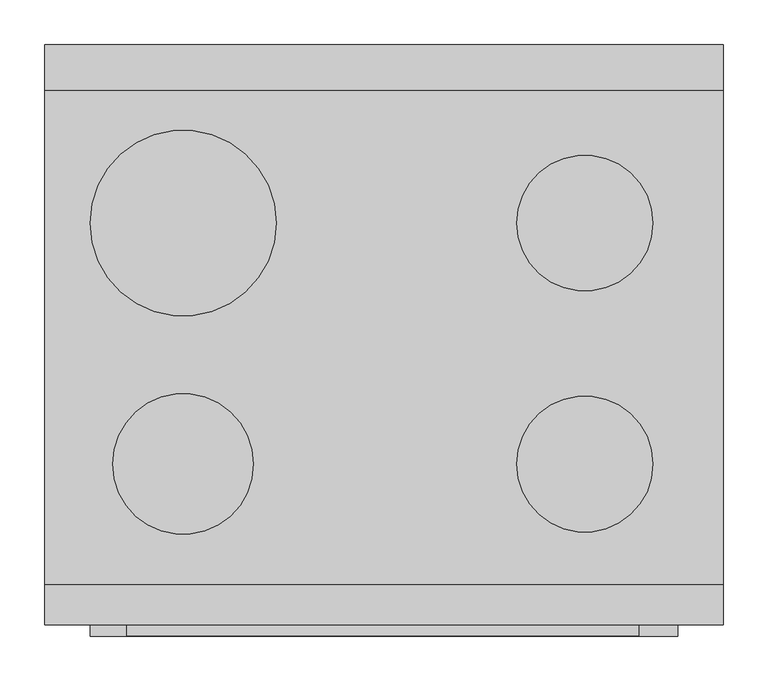
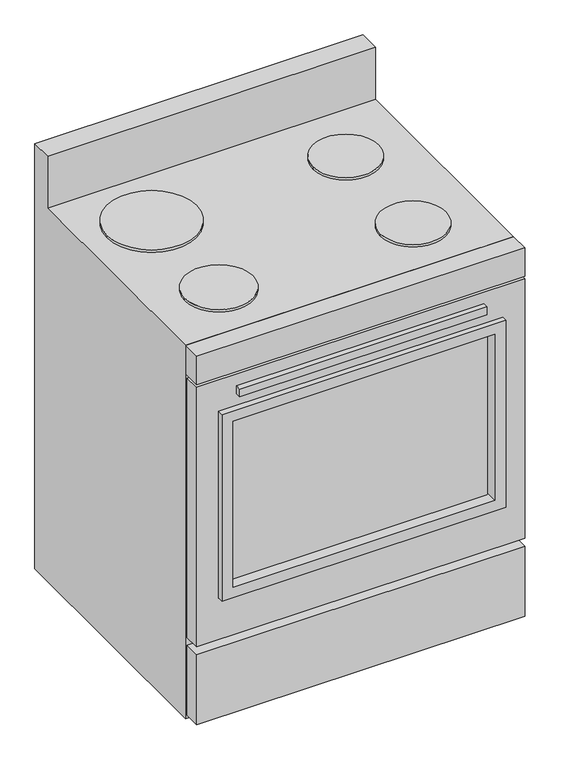
"""IFC4 building model written with IfcOpenShell, lengths in millimetres: proxy geometry."""

import ifcopenshell
import ifcopenshell.guid

model = None  # the IFC model being written
_history = None  # IfcOwnerHistory: only IFC2X3 demands one
_inside = {}  # id of a spatial element -> (the spatial element, [elements in it])
_under = {}  # id of a project, library or spatial element -> (it, [spatial elements below it])
_declared = {}  # id of a project -> (the project, [libraries it declares])
_typed = {}  # id of a type object -> (the type object, [elements of that type])
_made_of = {}  # id of a material, layer set ... -> (it, [elements and type objects made of it])


def new_model(schema):
    """Start an empty IFC model of exactly this schema.

    Asked for "IFC4X3", IfcOpenShell would pick the latest addendum, in which some entities
    have other attributes; the version numbers below select the first issue.
    IFC2X3 requires an IfcOwnerHistory on every rooted entity: one is made here for all.
    """
    global model, _history
    if schema == "IFC4X3":
        model = ifcopenshell.file(schema_version=(4, 3, 0, 0))
    else:
        model = ifcopenshell.file(schema=schema)
    _inside.clear()
    _under.clear()
    _declared.clear()
    _typed.clear()
    _made_of.clear()
    _history = None
    if model.schema == "IFC2X3":
        org = make("IfcOrganization", Name="unknown")
        user = make(
            "IfcPersonAndOrganization",
            ThePerson=make("IfcPerson", FamilyName="unknown"),
            TheOrganization=org,
        )
        app = make(
            "IfcApplication",
            ApplicationDeveloper=org,
            Version="unknown",
            ApplicationFullName="unknown",
            ApplicationIdentifier="unknown",
        )
        _history = make(
            "IfcOwnerHistory",
            OwningUser=user,
            OwningApplication=app,
            ChangeAction="ADDED",
            CreationDate=0,
        )
    return model


def make(cls, **values):
    """One entity of the class cls with the attributes given. An attribute that is None is left unset."""
    return model.create_entity(
        cls, **{name: value for name, value in values.items() if value is not None}
    )


def rooted(cls, **values):
    """An entity with a GlobalId (a new one), such as an element, a storey or a relation."""
    return make(cls, GlobalId=ifcopenshell.guid.new(), OwnerHistory=_history, **values)


def si_unit(unit_type, name, prefix=None):
    """IfcSIUnit, for example si_unit("LENGTHUNIT", "METRE", prefix="MILLI")."""
    return make("IfcSIUnit", UnitType=unit_type, Prefix=prefix, Name=name)


def assignment(units):
    """IfcUnitAssignment: the units of a project."""
    return None if units is None else make("IfcUnitAssignment", Units=units)


def point(xyz):
    """IfcCartesianPoint."""
    return None if xyz is None else make("IfcCartesianPoint", Coordinates=xyz)


def direction(xyz):
    """IfcDirection."""
    return None if xyz is None else make("IfcDirection", DirectionRatios=xyz)


def frame(location, z_axis=None, x_axis=None):
    """IfcAxis2Placement3D, a coordinate frame: its origin and axes. An axis left out is left unset."""
    return make(
        "IfcAxis2Placement3D",
        Location=point(location),
        Axis=direction(z_axis),
        RefDirection=direction(x_axis),
    )


def frame_2d(location, x_axis=None):
    """IfcAxis2Placement2D, a coordinate frame in the plane: its origin and x axis."""
    return make(
        "IfcAxis2Placement2D", Location=point(location), RefDirection=direction(x_axis)
    )


def origin():
    """The frame at (0, 0, 0) with its axes left unset."""
    return frame((0.0, 0.0, 0.0))


def place(relative_to, where):
    """IfcLocalPlacement: puts the frame where relative to a parent placement (None: the world)."""
    return make(
        "IfcLocalPlacement", PlacementRelTo=relative_to, RelativePlacement=where
    )


def context(
    kind, dimensions, precision=None, world=None, true_north=None, identifier=None
):
    """IfcGeometricRepresentationContext, for example the 3D "Model" context."""
    return make(
        "IfcGeometricRepresentationContext",
        ContextIdentifier=identifier,
        ContextType=kind,
        CoordinateSpaceDimension=dimensions,
        Precision=precision,
        WorldCoordinateSystem=world,
        TrueNorth=true_north,
    )


def project(units=None, contexts=None):
    """IfcProject with its units and contexts."""
    return rooted(
        "IfcProject",
        Name="project",
        RepresentationContexts=contexts,
        UnitsInContext=assignment(units),
    )


def spatial(cls, under=None, at=None, **own):
    """A site, building, storey or space (cls), placed at a placement, below another one or the project."""
    s = rooted(cls, ObjectPlacement=at, **own)
    if under is not None:
        _under.setdefault(under.id(), (under, []))[1].append(s)
    return s


def polyline(points):
    """IfcPolyline through the points."""
    return make("IfcPolyline", Points=[point(p) for p in points])


def circle_curve(where, radius):
    """IfcCircle in the frame where."""
    return make("IfcCircle", Position=where, Radius=radius)


def trimmed(basis, trim1, trim2, sense, master):
    """IfcTrimmedCurve: the piece of a basis curve between two trims."""
    return make(
        "IfcTrimmedCurve",
        BasisCurve=basis,
        Trim1=trim1,
        Trim2=trim2,
        SenseAgreement=sense,
        MasterRepresentation=master,
    )


def segment(curve, same_sense, transition):
    """IfcCompositeCurveSegment."""
    return make(
        "IfcCompositeCurveSegment",
        Transition=transition,
        SameSense=same_sense,
        ParentCurve=curve,
    )


def composite_curve(segments, self_intersect=None):
    """IfcCompositeCurve: segments joined end to end."""
    return make("IfcCompositeCurve", Segments=segments, SelfIntersect=self_intersect)


def outline(outer, holes=None, kind="AREA"):
    """IfcArbitraryClosedProfileDef: a profile drawn as a closed curve; with holes, ...WithVoids."""
    if holes is None:
        return make("IfcArbitraryClosedProfileDef", ProfileType=kind, OuterCurve=outer)
    return make(
        "IfcArbitraryProfileDefWithVoids",
        ProfileType=kind,
        OuterCurve=outer,
        InnerCurves=holes,
    )


def extrude(swept, where, along, depth):
    """IfcExtrudedAreaSolid: the profile swept, set in the frame where, extruded along a direction by depth."""
    return make(
        "IfcExtrudedAreaSolid",
        SweptArea=swept,
        Position=where,
        ExtrudedDirection=direction(along),
        Depth=depth,
    )


def faces_of(points, faces, orient=None, outer=None):
    """IfcFace entities. A face is a list of loops; a loop is a list of indices into points, from 0.

    orient and outer hold one flag for each loop. By default every Orientation is true, the
    first loop of a face is its IfcFaceOuterBound and the others are IfcFaceBound.
    """
    made = []
    for i, loops in enumerate(faces):
        bounds = []
        for j, loop in enumerate(loops):
            is_outer = j == 0 if outer is None else outer[i][j]
            bounds.append(
                make(
                    "IfcFaceOuterBound" if is_outer else "IfcFaceBound",
                    Bound=make("IfcPolyLoop", Polygon=[points[k] for k in loop]),
                    Orientation=True if orient is None else orient[i][j],
                )
            )
        made.append(make("IfcFace", Bounds=bounds))
    return made


def faceted_brep(points, faces, orient=None, outer=None, voids=None):
    """IfcFacetedBrep: a solid bounded by flat faces; with voids (closed shells), ...WithVoids."""
    shared = [point(p) for p in points]
    hull = make("IfcClosedShell", CfsFaces=faces_of(shared, faces, orient, outer))
    if voids is None:
        return make("IfcFacetedBrep", Outer=hull)
    return make(
        "IfcFacetedBrepWithVoids",
        Outer=hull,
        Voids=[
            make(cls, CfsFaces=faces_of(shared, fs, o, b)) for cls, fs, o, b in voids
        ],
    )


def shape(context_of_items, identifier, shape_type, items):
    """IfcShapeRepresentation: the items that make up one representation, for example the "Body"."""
    return make(
        "IfcShapeRepresentation",
        ContextOfItems=context_of_items,
        RepresentationIdentifier=identifier,
        RepresentationType=shape_type,
        Items=items,
    )


def source(mapping_origin, context_of_items, identifier, shape_type, items):
    """IfcRepresentationMap: a shape defined once, which mapped items show again and again."""
    return make(
        "IfcRepresentationMap",
        MappingOrigin=mapping_origin,
        MappedRepresentation=shape(context_of_items, identifier, shape_type, items),
    )


def transform(
    local_origin,
    x_axis=None,
    y_axis=None,
    z_axis=None,
    scale=None,
    scale2=None,
    scale3=None,
    uniform=True,
):
    """IfcCartesianTransformationOperator3D, or its non-uniform kind. x_axis, y_axis, z_axis: its Axis1, 2, 3."""
    if uniform:
        return make(
            "IfcCartesianTransformationOperator3D",
            Axis1=direction(x_axis),
            Axis2=direction(y_axis),
            LocalOrigin=point(local_origin),
            Scale=scale,
            Axis3=direction(z_axis),
        )
    return make(
        "IfcCartesianTransformationOperator3DnonUniform",
        Axis1=direction(x_axis),
        Axis2=direction(y_axis),
        LocalOrigin=point(local_origin),
        Scale=scale,
        Axis3=direction(z_axis),
        Scale2=scale2,
        Scale3=scale3,
    )


def mapped(mapping_source, mapping_target):
    """IfcMappedItem: shows the shape of a source again, moved by a transform."""
    return make(
        "IfcMappedItem", MappingSource=mapping_source, MappingTarget=mapping_target
    )


def made_of(thing, what):
    """Note that an element or type object is made of a material, layer set ...; save() writes the relation."""
    if what is not None:
        _made_of.setdefault(what.id(), (what, []))[1].append(thing)
    return thing


def element(
    cls,
    number,
    at=None,
    inside=None,
    cuts=None,
    type_object=None,
    material=None,
    context=None,
    identifier="Body",
    shape_type=None,
    held_by="IfcProductDefinitionShape",
    body=None,
    shapes=None,
    **own,
):
    """One element of the class cls, such as IfcWall. Its Tag is "e" and its number.

    at: its placement. inside: the storey or other place that contains it. cuts: it is an
    opening in that element (IfcRelVoidsElement). A single representation is given by context,
    identifier, shape_type and body (its items); several are given by shapes. held_by: the class
    of the entity that holds the representations. save() writes the other relations.
    """
    e = rooted(cls, Tag="e%d" % number, ObjectPlacement=at, **own)
    if body is not None:
        shapes = [shape(context, identifier, shape_type, body)]
    if shapes is not None:
        e.Representation = make(held_by, Representations=shapes)
    if inside is not None:
        _inside.setdefault(inside.id(), (inside, []))[1].append(e)
    if cuts is not None:
        rooted(
            "IfcRelVoidsElement", RelatingBuildingElement=cuts, RelatedOpeningElement=e
        )
    if type_object is not None:
        _typed.setdefault(type_object.id(), (type_object, []))[1].append(e)
    return made_of(e, material)


def aggregate(whole, parts):
    """IfcRelAggregates: a whole, such as a stair, and the parts it consists of."""
    return rooted("IfcRelAggregates", RelatingObject=whole, RelatedObjects=parts)


def save(model, path):
    """Write the relations noted so far, then the file.

    IfcRelAggregates (storeys below a building ...), IfcRelContainedInSpatialStructure (elements
    in a storey), IfcRelDefinesByType, IfcRelAssociatesMaterial and IfcRelDeclares: one each for
    every whole, place, type object, material and project.
    """
    for whole, parts in _under.values():
        aggregate(whole, parts)
    for where, things in _inside.values():
        rooted(
            "IfcRelContainedInSpatialStructure",
            RelatedElements=things,
            RelatingStructure=where,
        )
    for kind, things in _typed.values():
        rooted("IfcRelDefinesByType", RelatedObjects=things, RelatingType=kind)
    for what, things in _made_of.values():
        rooted("IfcRelAssociatesMaterial", RelatedObjects=things, RelatingMaterial=what)
    for by, libraries in _declared.values():
        rooted("IfcRelDeclares", RelatingContext=by, RelatedDefinitions=libraries)
    model.write(path)


def specialty_equipment_27bf323b(model_context):
    return source(origin(), model_context, "Body", "SolidModel", [
        faceted_brep([(760.0, 650.0, 1041.4), (760.0, 599.2, 1041.4), (760.0, 599.2, 914.4), (760.0, 45.0, 914.4), (760.0, 45.0, 0.0), (760.0, 650.0, 0.0), (0.0, 599.2, 914.4), (0.0, 599.2, 1041.4), (0.0, 650.0, 1041.4), (0.0, 650.0, 0.0), (0.0, 45.0, 0.0), (0.0, 45.0, 914.4), (734.6, 45.0, 889.2220355), (734.6, 45.0, 254.0), (25.4, 45.0, 254.0), (25.4, 45.0, 889.2220355), (25.4, 624.6, 889.2220355), (734.6, 624.6, 889.2220355), (25.4, 624.6, 254.0), (734.6, 624.6, 254.0)], [[[0, 1, 2, 3, 4, 5]], [[6, 7, 8, 9, 10, 11]], [[8, 0, 5, 9]], [[1, 0, 8, 7]], [[2, 1, 7, 6]], [[3, 11, 10, 4], [12, 13, 14, 15]], [[9, 5, 4, 10]], [[11, 3, 2, 6]], [[12, 15, 16, 17]], [[15, 14, 18, 16]], [[14, 13, 19, 18]], [[13, 12, 17, 19]], [[17, 16, 18, 19]]]),
        extrude(outline(polyline([(665.325, -12.7), (91.687309, -12.7), (91.687309, 0.0), (665.325, 0.0), (665.325, -12.7)])), frame((0.0, 0.0, 791.2768639), z_axis=(0.0, 0.0, 1.0), x_axis=(1.0, 0.0, 0.0)), (0.0, 0.0, 1.0), 19.05),
        extrude(outline(polyline([(681.2, 12.7), (76.2, 12.7), (76.2, 19.05), (681.2, 19.05), (681.2, 12.7)])), frame((0.0, 0.0, 330.2), z_axis=(0.0, 0.0, 1.0), x_axis=(1.0, 0.0, 0.0)), (0.0, 0.0, 1.0), 406.4),
        extrude(outline(polyline([(760.0, 0.0), (0.0, 0.0), (0.0, 45.0), (760.0, 45.0), (760.0, 0.0)])), frame((0.0, 0.0, 844.7720355), z_axis=(0.0, 0.0, 1.0), x_axis=(1.0, 0.0, 0.0)), (0.0, 0.0, 1.0), 69.6279645),
        extrude(outline(polyline([(762.0, 709.2), (762.0, 50.8), (304.8, 50.8), (304.8, 709.2), (762.0, 709.2)]), holes=[polyline([(736.6, 683.8), (330.2, 683.8), (330.2, 76.2), (736.6, 76.2), (736.6, 683.8)])]), frame((0.0, -12.7, 0.0), z_axis=(0.0, 1.0, 0.0), x_axis=(0.0, 0.0, 1.0)), (0.0, 0.0, 1.0), 38.1),
        extrude(outline(composite_curve([segment(trimmed(circle_curve(frame_2d((155.0, 450.0)), 104.2), [point((50.8, 450.0))], [point((259.2, 450.0))], False, "CARTESIAN"), True, "CONTINUOUS"), segment(trimmed(circle_curve(frame_2d((155.0, 450.0)), 104.2), [point((259.2, 450.0))], [point((50.8, 450.0))], False, "CARTESIAN"), True, "CONTINUOUS")], self_intersect=False)), frame((0.0, 0.0, 914.4), z_axis=(0.0, 0.0, 1.0), x_axis=(1.0, 0.0, 0.0)), (0.0, 0.0, 1.0), 6.35),
        extrude(outline(composite_curve([segment(trimmed(circle_curve(frame_2d((605.0, 450.0)), 76.2), [point((528.8, 450.0))], [point((681.2, 450.0))], False, "CARTESIAN"), True, "CONTINUOUS"), segment(trimmed(circle_curve(frame_2d((605.0, 450.0)), 76.2), [point((681.2, 450.0))], [point((528.8, 450.0))], False, "CARTESIAN"), True, "CONTINUOUS")], self_intersect=False)), frame((0.0, 0.0, 914.4), z_axis=(0.0, 0.0, 1.0), x_axis=(1.0, 0.0, 0.0)), (0.0, 0.0, 1.0), 6.35),
        extrude(outline(composite_curve([segment(trimmed(circle_curve(frame_2d((605.0, 180.0)), 76.2), [point((528.8, 180.0))], [point((681.2, 180.0))], False, "CARTESIAN"), True, "CONTINUOUS"), segment(trimmed(circle_curve(frame_2d((605.0, 180.0)), 76.2), [point((681.2, 180.0))], [point((528.8, 180.0))], False, "CARTESIAN"), True, "CONTINUOUS")], self_intersect=False)), frame((0.0, 0.0, 914.4), z_axis=(0.0, 0.0, 1.0), x_axis=(1.0, 0.0, 0.0)), (0.0, 0.0, 1.0), 6.35),
        extrude(outline(composite_curve([segment(trimmed(circle_curve(frame_2d((155.0, 180.0)), 78.8), [point((76.2, 180.0))], [point((233.8, 180.0))], False, "CARTESIAN"), True, "CONTINUOUS"), segment(trimmed(circle_curve(frame_2d((155.0, 180.0)), 78.8), [point((233.8, 180.0))], [point((76.2, 180.0))], False, "CARTESIAN"), True, "CONTINUOUS")], self_intersect=False)), frame((0.0, 0.0, 914.4), z_axis=(0.0, 0.0, 1.0), x_axis=(1.0, 0.0, 0.0)), (0.0, 0.0, 1.0), 6.35),
        extrude(outline(polyline([(838.4220355, 760.0), (838.4220355, 0.0), (203.2, 0.0), (203.2, 760.0), (838.4220355, 760.0)]), holes=[polyline([(762.0, 709.2), (304.8, 709.2), (304.8, 50.8), (762.0, 50.8), (762.0, 709.2)])]), frame((0.0, 0.0, 0.0), z_axis=(0.0, 1.0, 0.0), x_axis=(0.0, 0.0, 1.0)), (0.0, 0.0, 1.0), 38.1),
        extrude(outline(polyline([(760.0, 0.0), (0.0, 0.0), (0.0, 38.1), (760.0, 38.1), (760.0, 0.0)])), frame((0.0, 0.0, 12.7), z_axis=(0.0, 0.0, 1.0), x_axis=(1.0, 0.0, 0.0)), (0.0, 0.0, 1.0), 171.45),
    ])


if __name__ == "__main__":
    model = new_model("IFC4")
    model_context = context("Model", 3, world=origin())
    ifc_project = project(units=[si_unit("LENGTHUNIT", "METRE", prefix="MILLI")], contexts=[model_context])
    site = spatial("IfcSite", under=ifc_project)
    building = spatial("IfcBuilding", under=site)
    placement = place(None, origin())
    specialty_equipment_shape = specialty_equipment_27bf323b(model_context)
    element("IfcBuildingElementProxy", 1, Name="Specialty Equipment", at=placement, inside=building, context=model_context, shape_type="MappedRepresentation", body=[
        mapped(specialty_equipment_shape, transform((0.0, 0.0, 0.0), x_axis=(1.0, 0.0, 0.0), y_axis=(0.0, 1.0, 0.0), z_axis=(0.0, 0.0, 1.0))),
    ])
    save(model, "model.ifc")
